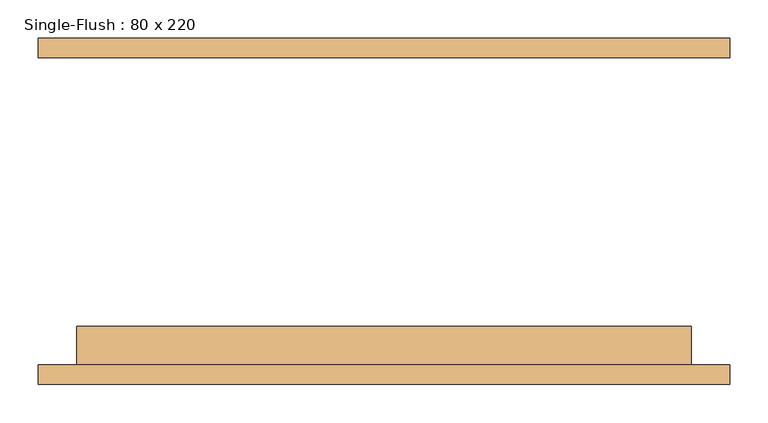
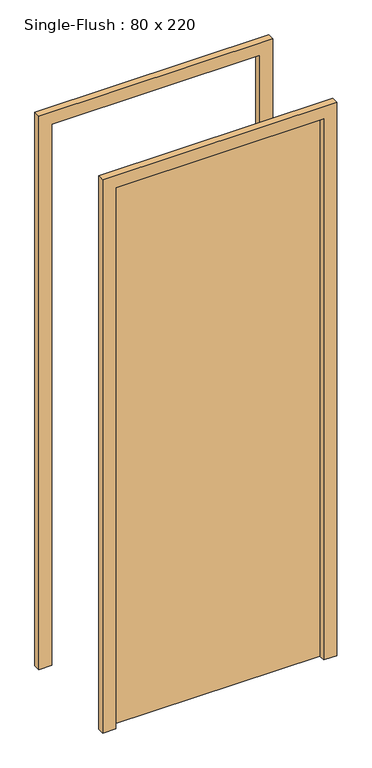
"""IFC4 building model written with IfcOpenShell, lengths in millimetres: door geometry, Single-Flush : 80 x 220."""

from ifc_helpers import new_model, si_unit, frame, origin, origin_with_axes, place, context, project, spatial, polyline, outline, extrude, source, transform, mapped, element, save


def single_flush_80_x_220_85d69fce(model_context):
    return source(origin(), model_context, "Body", "SweptSolid", [
        extrude(outline(polyline([(2250.0, -450.0), (0.0, -450.0), (0.0, -400.0), (2200.0, -400.0), (2200.0, 400.0), (0.0, 400.0), (0.0, 450.0), (2250.0, 450.0), (2250.0, -450.0)])), frame((0.0, -225.4, 0.0), z_axis=(0.0, 1.0, 0.0), x_axis=(0.0, 0.0, 1.0)), (0.0, 0.0, 1.0), 25.4),
        extrude(outline(polyline([(2250.0, 450.0), (2250.0, -450.0), (0.0, -450.0), (0.0, -400.0), (2200.0, -400.0), (2200.0, 400.0), (0.0, 400.0), (0.0, 450.0), (2250.0, 450.0)])), frame((0.0, 200.0, 0.0), z_axis=(0.0, 1.0, 0.0), x_axis=(0.0, 0.0, 1.0)), (0.0, 0.0, 1.0), 25.4),
        extrude(outline(polyline([(400.0, -150.0), (400.0, -200.0), (-400.0, -200.0), (-400.0, -150.0), (400.0, -150.0)])), origin_with_axes(), (0.0, 0.0, 1.0), 2200.0),
    ])


if __name__ == "__main__":
    model = new_model("IFC4")
    model_context = context("Model", 3, world=origin())
    ifc_project = project(units=[si_unit("LENGTHUNIT", "METRE", prefix="MILLI")], contexts=[model_context])
    site = spatial("IfcSite", under=ifc_project)
    building = spatial("IfcBuilding", under=site)
    placement = place(None, origin())
    single_flush_80_x_220_shape = single_flush_80_x_220_85d69fce(model_context)
    element("IfcDoor", 1, ObjectType="Single-Flush : 80 x 220", at=placement, inside=building, context=model_context, shape_type="MappedRepresentation", body=[
        mapped(single_flush_80_x_220_shape, transform((0.0, 0.0, 0.0), x_axis=(1.0, 0.0, 0.0), y_axis=(0.0, 1.0, 0.0), z_axis=(0.0, 0.0, 1.0))),
    ])
    save(model, "model.ifc")
